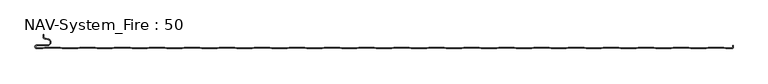
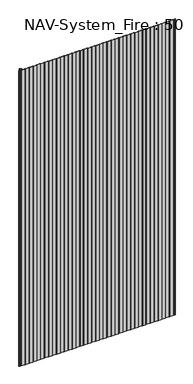
"""IFC4 building model written with IfcOpenShell, lengths in millimetres: plate geometry, NAV-System_Fire : 50."""

from ifc_helpers import new_model, si_unit, frame, origin, place, context, project, spatial, polyline, circle_curve, source, transform, mapped, element, save
from ifc_brep_helpers import plane_surface, cylinder_surface, revolved_surface, advanced_brep


def nav_system_fire_50_914764b8(model_context):
    return source(origin(), model_context, "Body", "AdvancedBrep", [
        advanced_brep(
        [(-488.8798221, -50.8, 2000.0), (-497.2500001, -50.8, 2000.0), (-497.2500001, -47.4000001, 2000.0), (-481.8502086, -47.4000001, 2000.0), (-480.9923864, -37.5950498, 2000.0), (-485.8625665, -36.7363054, 2000.0), (-487.3500004, -34.9636506, 2000.0), (-487.3500014, -31.6578709, 2000.0), (-488.1500014, -31.6578709, 2000.0), (-488.1500014, -34.9636516, 2000.0), (-486.0014853, -37.5241512, 2000.0), (-481.1313015, -38.382896, 2000.0), (-481.850205, -46.6000001, 2000.0), (-497.2500001, -46.6000001, 2000.0), (-497.2500001, -51.6, 2000.0), (-488.75, -51.6, 2000.0), (-485.75, -50.6, 2000.0), (-463.75, -50.6, 2000.0), (-460.75, -51.6, 2000.0), (-438.75, -51.6, 2000.0), (-435.75, -50.6, 2000.0), (-413.75, -50.6, 2000.0), (-410.75, -51.6, 2000.0), (-388.75, -51.6, 2000.0), (-385.75, -50.6, 2000.0), (-363.75, -50.6, 2000.0), (-360.75, -51.6, 2000.0), (-338.75, -51.6, 2000.0), (-335.75, -50.6, 2000.0), (-313.75, -50.6, 2000.0), (-310.75, -51.6, 2000.0), (-288.75, -51.6, 2000.0), (-285.75, -50.6, 2000.0), (-263.75, -50.6, 2000.0), (-260.75, -51.6, 2000.0), (-238.75, -51.6, 2000.0), (-235.75, -50.6, 2000.0), (-213.75, -50.6, 2000.0), (-210.75, -51.6, 2000.0), (-188.75, -51.6, 2000.0), (-185.75, -50.6, 2000.0), (-163.75, -50.6, 2000.0), (-160.75, -51.6, 2000.0), (-138.75, -51.6, 2000.0), (-135.75, -50.6, 2000.0), (-113.75, -50.6, 2000.0), (-110.75, -51.6, 2000.0), (-88.75, -51.6, 2000.0), (-85.75, -50.6, 2000.0), (-63.75, -50.6, 2000.0), (-60.75, -51.6, 2000.0), (-38.75, -51.6, 2000.0), (-35.75, -50.6, 2000.0), (-13.75, -50.6, 2000.0), (-10.75, -51.6, 2000.0), (11.25, -51.6, 2000.0), (14.25, -50.6, 2000.0), (36.25, -50.6, 2000.0), (39.25, -51.6, 2000.0), (61.25, -51.6, 2000.0), (64.25, -50.6, 2000.0), (86.25, -50.6, 2000.0), (89.25, -51.6, 2000.0), (111.25, -51.6, 2000.0), (114.25, -50.6, 2000.0), (136.25, -50.6, 2000.0), (139.25, -51.6, 2000.0), (161.25, -51.6, 2000.0), (164.25, -50.6, 2000.0), (186.25, -50.6, 2000.0), (189.25, -51.6, 2000.0), (211.25, -51.6, 2000.0), (214.25, -50.6, 2000.0), (236.25, -50.6, 2000.0), (239.25, -51.6, 2000.0), (261.25, -51.6, 2000.0), (264.25, -50.6, 2000.0), (286.25, -50.6, 2000.0), (289.25, -51.6, 2000.0), (311.25, -51.6, 2000.0), (314.25, -50.6, 2000.0), (336.25, -50.6, 2000.0), (339.25, -51.6, 2000.0), (361.25, -51.6, 2000.0), (364.25, -50.6, 2000.0), (386.25, -50.6, 2000.0), (389.25, -51.6, 2000.0), (411.25, -51.6, 2000.0), (414.25, -50.6, 2000.0), (436.25, -50.6, 2000.0), (439.25, -51.6, 2000.0), (461.25, -51.6, 2000.0), (464.25, -50.6, 2000.0), (486.25, -50.6, 2000.0), (489.25, -51.6, 2000.0), (498.2500007, -51.6, 2000.0), (499.75, -50.9228766, 2000.0), (499.75, -46.9390429, 2000.0), (499.4499998, -48.1999953, 2000.0), (499.4499998, -49.5978602, 2000.0), (498.2500017, -50.7999998, 2000.0), (489.3798221, -50.8, 2000.0), (486.3798221, -49.8, 2000.0), (464.1201779, -49.8, 2000.0), (461.1201779, -50.8, 2000.0), (439.3798221, -50.8, 2000.0), (436.3798221, -49.8, 2000.0), (414.1201779, -49.8, 2000.0), (411.1201779, -50.8, 2000.0), (389.3798221, -50.8, 2000.0), (386.3798221, -49.8, 2000.0), (364.1201779, -49.8, 2000.0), (361.1201779, -50.8, 2000.0), (339.3798221, -50.8, 2000.0), (336.3798221, -49.8, 2000.0), (314.1201779, -49.8, 2000.0), (311.1201779, -50.8, 2000.0), (289.3798221, -50.8, 2000.0), (286.3798221, -49.8, 2000.0), (264.1201779, -49.8, 2000.0), (261.1201779, -50.8, 2000.0), (239.3798221, -50.8, 2000.0), (236.3798221, -49.8, 2000.0), (214.1201779, -49.8, 2000.0), (211.1201779, -50.8, 2000.0), (189.3798221, -50.8, 2000.0), (186.3798221, -49.8, 2000.0), (164.1201779, -49.8, 2000.0), (161.1201779, -50.8, 2000.0), (139.3798221, -50.8, 2000.0), (136.3798221, -49.8, 2000.0), (114.1201779, -49.8, 2000.0), (111.1201779, -50.8, 2000.0), (89.3798221, -50.8, 2000.0), (86.3798221, -49.8, 2000.0), (64.1201779, -49.8, 2000.0), (61.1201779, -50.8, 2000.0), (39.3798221, -50.8, 2000.0), (36.3798221, -49.8, 2000.0), (14.1201779, -49.8, 2000.0), (11.1201779, -50.8, 2000.0), (-10.6201779, -50.8, 2000.0), (-13.6201779, -49.8, 2000.0), (-35.8798221, -49.8, 2000.0), (-38.8798221, -50.8, 2000.0), (-60.6201779, -50.8, 2000.0), (-63.6201779, -49.8, 2000.0), (-85.8798221, -49.8, 2000.0), (-88.8798221, -50.8, 2000.0), (-110.6201779, -50.8, 2000.0), (-113.6201779, -49.8, 2000.0), (-135.8798221, -49.8, 2000.0), (-138.8798221, -50.8, 2000.0), (-160.6201779, -50.8, 2000.0), (-163.6201779, -49.8, 2000.0), (-185.8798221, -49.8, 2000.0), (-188.8798221, -50.8, 2000.0), (-210.6201779, -50.8, 2000.0), (-213.6201779, -49.8, 2000.0), (-235.8798221, -49.8, 2000.0), (-238.8798221, -50.8, 2000.0), (-260.6201779, -50.8, 2000.0), (-263.6201779, -49.8, 2000.0), (-285.8798221, -49.8, 2000.0), (-288.8798221, -50.8, 2000.0), (-310.6201779, -50.8, 2000.0), (-313.6201779, -49.8, 2000.0), (-335.8798221, -49.8, 2000.0), (-338.8798221, -50.8, 2000.0), (-360.6201779, -50.8, 2000.0), (-363.6201779, -49.8, 2000.0), (-385.8798221, -49.8, 2000.0), (-388.8798221, -50.8, 2000.0), (-410.6201779, -50.8, 2000.0), (-413.6201779, -49.8, 2000.0), (-435.8798221, -49.8, 2000.0), (-438.8798221, -50.8, 2000.0), (-460.6201779, -50.8, 2000.0), (-463.6201779, -49.8, 2000.0), (-485.8798221, -49.8, 2000.0), (-488.8798221, -50.8, 0.0), (-485.8798221, -49.8, 0.0), (-463.6201779, -49.8, 0.0), (-460.6201779, -50.8, 0.0), (-438.8798221, -50.8, 0.0), (-435.8798221, -49.8, 0.0), (-413.6201779, -49.8, 0.0), (-410.6201779, -50.8, 0.0), (-388.8798221, -50.8, 0.0), (-385.8798221, -49.8, 0.0), (-363.6201779, -49.8, 0.0), (-360.6201779, -50.8, 0.0), (-338.8798221, -50.8, 0.0), (-335.8798221, -49.8, 0.0), (-313.6201779, -49.8, 0.0), (-310.6201779, -50.8, 0.0), (-288.8798221, -50.8, 0.0), (-285.8798221, -49.8, 0.0), (-263.6201779, -49.8, 0.0), (-260.6201779, -50.8, 0.0), (-238.8798221, -50.8, 0.0), (-235.8798221, -49.8, 0.0), (-213.6201779, -49.8, 0.0), (-210.6201779, -50.8, 0.0), (-188.8798221, -50.8, 0.0), (-185.8798221, -49.8, 0.0), (-163.6201779, -49.8, 0.0), (-160.6201779, -50.8, 0.0), (-138.8798221, -50.8, 0.0), (-135.8798221, -49.8, 0.0), (-113.6201779, -49.8, 0.0), (-110.6201779, -50.8, 0.0), (-88.8798221, -50.8, 0.0), (-85.8798221, -49.8, 0.0), (-63.6201779, -49.8, 0.0), (-60.6201779, -50.8, 0.0), (-38.8798221, -50.8, 0.0), (-35.8798221, -49.8, 0.0), (-13.6201779, -49.8, 0.0), (-10.6201779, -50.8, 0.0), (11.1201779, -50.8, 0.0), (14.1201779, -49.8, 0.0), (36.3798221, -49.8, 0.0), (39.3798221, -50.8, 0.0), (61.1201779, -50.8, 0.0), (64.1201779, -49.8, 0.0), (86.3798221, -49.8, 0.0), (89.3798221, -50.8, 0.0), (111.1201779, -50.8, 0.0), (114.1201779, -49.8, 0.0), (136.3798221, -49.8, 0.0), (139.3798221, -50.8, 0.0), (161.1201779, -50.8, 0.0), (164.1201779, -49.8, 0.0), (186.3798221, -49.8, 0.0), (189.3798221, -50.8, 0.0), (211.1201779, -50.8, 0.0), (214.1201779, -49.8, 0.0), (236.3798221, -49.8, 0.0), (239.3798221, -50.8, 0.0), (261.1201779, -50.8, 0.0), (264.1201779, -49.8, 0.0), (286.3798221, -49.8, 0.0), (289.3798221, -50.8, 0.0), (311.1201779, -50.8, 0.0), (314.1201779, -49.8, 0.0), (336.3798221, -49.8, 0.0), (339.3798221, -50.8, 0.0), (361.1201779, -50.8, 0.0), (364.1201779, -49.8, 0.0), (386.3798221, -49.8, 0.0), (389.3798221, -50.8, 0.0), (411.1201779, -50.8, 0.0), (414.1201779, -49.8, 0.0), (436.3798221, -49.8, 0.0), (439.3798221, -50.8, 0.0), (461.1201779, -50.8, 0.0), (464.1201779, -49.8, 0.0), (486.3798221, -49.8, 0.0), (489.3798221, -50.8, 0.0), (498.2500017, -50.8, 0.0), (499.4499998, -49.5978602, 0.0), (499.4499998, -48.1999953, 0.0), (499.75, -46.9390429, 0.0), (499.75, -50.9228766, 0.0), (498.2500007, -51.6, 0.0), (489.25, -51.6, 0.0), (486.25, -50.6, 0.0), (464.25, -50.6, 0.0), (461.25, -51.6, 0.0), (439.25, -51.6, 0.0), (436.25, -50.6, 0.0), (414.25, -50.6, 0.0), (411.25, -51.6, 0.0), (389.25, -51.6, 0.0), (386.25, -50.6, 0.0), (364.25, -50.6, 0.0), (361.25, -51.6, 0.0), (339.25, -51.6, 0.0), (336.25, -50.6, 0.0), (314.25, -50.6, 0.0), (311.25, -51.6, 0.0), (289.25, -51.6, 0.0), (286.25, -50.6, 0.0), (264.25, -50.6, 0.0), (261.25, -51.6, 0.0), (239.25, -51.6, 0.0), (236.25, -50.6, 0.0), (214.25, -50.6, 0.0), (211.25, -51.6, 0.0), (189.25, -51.6, 0.0), (186.25, -50.6, 0.0), (164.25, -50.6, 0.0), (161.25, -51.6, 0.0), (139.25, -51.6, 0.0), (136.25, -50.6, 0.0), (114.25, -50.6, 0.0), (111.25, -51.6, 0.0), (89.25, -51.6, 0.0), (86.25, -50.6, 0.0), (64.25, -50.6, 0.0), (61.25, -51.6, 0.0), (39.25, -51.6, 0.0), (36.25, -50.6, 0.0), (14.25, -50.6, 0.0), (11.25, -51.6, 0.0), (-10.75, -51.6, 0.0), (-13.75, -50.6, 0.0), (-35.75, -50.6, 0.0), (-38.75, -51.6, 0.0), (-60.75, -51.6, 0.0), (-63.75, -50.6, 0.0), (-85.75, -50.6, 0.0), (-88.75, -51.6, 0.0), (-110.75, -51.6, 0.0), (-113.75, -50.6, 0.0), (-135.75, -50.6, 0.0), (-138.75, -51.6, 0.0), (-160.75, -51.6, 0.0), (-163.75, -50.6, 0.0), (-185.75, -50.6, 0.0), (-188.75, -51.6, 0.0), (-210.75, -51.6, 0.0), (-213.75, -50.6, 0.0), (-235.75, -50.6, 0.0), (-238.75, -51.6, 0.0), (-260.75, -51.6, 0.0), (-263.75, -50.6, 0.0), (-285.75, -50.6, 0.0), (-288.75, -51.6, 0.0), (-310.75, -51.6, 0.0), (-313.75, -50.6, 0.0), (-335.75, -50.6, 0.0), (-338.75, -51.6, 0.0), (-360.75, -51.6, 0.0), (-363.75, -50.6, 0.0), (-385.75, -50.6, 0.0), (-388.75, -51.6, 0.0), (-410.75, -51.6, 0.0), (-413.75, -50.6, 0.0), (-435.75, -50.6, 0.0), (-438.75, -51.6, 0.0), (-460.75, -51.6, 0.0), (-463.75, -50.6, 0.0), (-485.75, -50.6, 0.0), (-488.75, -51.6, 0.0), (-497.2500001, -51.6, 0.0), (-497.2500001, -46.6000001, 0.0), (-481.850205, -46.6000001, 0.0), (-481.1313015, -38.382896, 0.0), (-486.0014853, -37.5241512, 0.0), (-488.1499997, -34.9636516, 0.0), (-488.1500014, -31.6578709, 0.0), (-487.3500014, -31.6578709, 0.0), (-487.3500014, -34.9636506, 0.0), (-485.8625665, -36.7363054, 0.0), (-480.9923864, -37.5950498, 0.0), (-481.8502086, -47.4000001, 0.0), (-497.2500001, -47.4000001, 0.0), (-497.2500001, -50.7999998, 0.0)],
        [
            (0, 1),
            (1, 2, circle_curve(frame((-497.2500001, -49.1, 2000.0), z_axis=(0.0, 0.0, -1.0), x_axis=(1.0, 0.0, 0.0)), 1.6999999)),
            (2, 3),
            (3, 4, circle_curve(frame((-481.8502086, -42.4600001, 2000.0), z_axis=(0.0, 0.0, 1.0), x_axis=(1.0, 0.0, 0.0)), 4.94)),
            (4, 5),
            (5, 6, circle_curve(frame((-485.5499995, -34.9636506, 2000.0), z_axis=(0.0, 0.0, -1.0), x_axis=(1.0, 0.0, 0.0)), 1.8000009)),
            (6, 7),
            (7, 8),
            (8, 9),
            (9, 10, circle_curve(frame((-485.5500002, -34.9636516, 2000.0), z_axis=(0.0, 0.0, 1.0), x_axis=(1.0, 0.0, 0.0)), 2.5999995)),
            (10, 11),
            (11, 12, circle_curve(frame((-481.850205, -42.4600001, 2000.0), z_axis=(0.0, 0.0, -1.0), x_axis=(1.0, 0.0, 0.0)), 4.14)),
            (12, 13),
            (13, 14, circle_curve(frame((-497.2500001, -49.1000001, 2000.0), z_axis=(0.0, 0.0, 1.0), x_axis=(1.0, 0.0, 0.0)), 2.4999999)),
            (14, 15),
            (15, 16),
            (16, 17),
            (17, 18),
            (18, 19),
            (19, 20),
            (20, 21),
            (21, 22),
            (22, 23),
            (23, 24),
            (24, 25),
            (25, 26),
            (26, 27),
            (27, 28),
            (28, 29),
            (29, 30),
            (30, 31),
            (31, 32),
            (32, 33),
            (33, 34),
            (34, 35),
            (35, 36),
            (36, 37),
            (37, 38),
            (38, 39),
            (39, 40),
            (40, 41),
            (41, 42),
            (42, 43),
            (43, 44),
            (44, 45),
            (45, 46),
            (46, 47),
            (47, 48),
            (48, 49),
            (49, 50),
            (50, 51),
            (51, 52),
            (52, 53),
            (53, 54),
            (54, 55),
            (55, 56),
            (56, 57),
            (57, 58),
            (58, 59),
            (59, 60),
            (60, 61),
            (61, 62),
            (62, 63),
            (63, 64),
            (64, 65),
            (65, 66),
            (66, 67),
            (67, 68),
            (68, 69),
            (69, 70),
            (70, 71),
            (71, 72),
            (72, 73),
            (73, 74),
            (74, 75),
            (75, 76),
            (76, 77),
            (77, 78),
            (78, 79),
            (79, 80),
            (80, 81),
            (81, 82),
            (82, 83),
            (83, 84),
            (84, 85),
            (85, 86),
            (86, 87),
            (87, 88),
            (88, 89),
            (89, 90),
            (90, 91),
            (91, 92),
            (92, 93),
            (93, 94),
            (94, 95),
            (95, 96, circle_curve(frame((498.2500007, -49.5999998, 2000.0), z_axis=(0.0, 0.0, 1.0), x_axis=(1.0, 0.0, 0.0)), 2.0000002)),
            (96, 97),
            (97, 98, circle_curve(frame((502.2499995, -48.1999953, 2000.0), z_axis=(0.0, 0.0, 1.0), x_axis=(1.0, 0.0, 0.0)), 2.7999997)),
            (98, 99),
            (99, 100, circle_curve(frame((498.2500017, -49.5999998, 2000.0), z_axis=(0.0, 0.0, -1.0), x_axis=(1.0, 0.0, 0.0)), 1.2)),
            (100, 101),
            (101, 102),
            (102, 103),
            (103, 104),
            (104, 105),
            (105, 106),
            (106, 107),
            (107, 108),
            (108, 109),
            (109, 110),
            (110, 111),
            (111, 112),
            (112, 113),
            (113, 114),
            (114, 115),
            (115, 116),
            (116, 117),
            (117, 118),
            (118, 119),
            (119, 120),
            (120, 121),
            (121, 122),
            (122, 123),
            (123, 124),
            (124, 125),
            (125, 126),
            (126, 127),
            (127, 128),
            (128, 129),
            (129, 130),
            (130, 131),
            (131, 132),
            (132, 133),
            (133, 134),
            (134, 135),
            (135, 136),
            (136, 137),
            (137, 138),
            (138, 139),
            (139, 140),
            (140, 141),
            (141, 142),
            (142, 143),
            (143, 144),
            (144, 145),
            (145, 146),
            (146, 147),
            (147, 148),
            (148, 149),
            (149, 150),
            (150, 151),
            (151, 152),
            (152, 153),
            (153, 154),
            (154, 155),
            (155, 156),
            (156, 157),
            (157, 158),
            (158, 159),
            (159, 160),
            (160, 161),
            (161, 162),
            (162, 163),
            (163, 164),
            (164, 165),
            (165, 166),
            (166, 167),
            (167, 168),
            (168, 169),
            (169, 170),
            (170, 171),
            (171, 172),
            (172, 173),
            (173, 174),
            (174, 175),
            (175, 176),
            (176, 177),
            (177, 178),
            (178, 179),
            (179, 0),
            (180, 181),
            (181, 182),
            (182, 183),
            (183, 184),
            (184, 185),
            (185, 186),
            (186, 187),
            (187, 188),
            (188, 189),
            (189, 190),
            (190, 191),
            (191, 192),
            (192, 193),
            (193, 194),
            (194, 195),
            (195, 196),
            (196, 197),
            (197, 198),
            (198, 199),
            (199, 200),
            (200, 201),
            (201, 202),
            (202, 203),
            (203, 204),
            (204, 205),
            (205, 206),
            (206, 207),
            (207, 208),
            (208, 209),
            (209, 210),
            (210, 211),
            (211, 212),
            (212, 213),
            (213, 214),
            (214, 215),
            (215, 216),
            (216, 217),
            (217, 218),
            (218, 219),
            (219, 220),
            (220, 221),
            (221, 222),
            (222, 223),
            (223, 224),
            (224, 225),
            (225, 226),
            (226, 227),
            (227, 228),
            (228, 229),
            (229, 230),
            (230, 231),
            (231, 232),
            (232, 233),
            (233, 234),
            (234, 235),
            (235, 236),
            (236, 237),
            (237, 238),
            (238, 239),
            (239, 240),
            (240, 241),
            (241, 242),
            (242, 243),
            (243, 244),
            (244, 245),
            (245, 246),
            (246, 247),
            (247, 248),
            (248, 249),
            (249, 250),
            (250, 251),
            (251, 252),
            (252, 253),
            (253, 254),
            (254, 255),
            (255, 256),
            (256, 257),
            (257, 258),
            (258, 259),
            (259, 260),
            (260, 261, circle_curve(frame((498.2500017, -49.5999998, 0.0), z_axis=(0.0, 0.0, 1.0), x_axis=(1.0, 0.0, 0.0)), 1.2)),
            (261, 262),
            (262, 263, circle_curve(frame((502.2499995, -48.1999953, 0.0), z_axis=(0.0, 0.0, -1.0), x_axis=(1.0, 0.0, 0.0)), 2.7999997)),
            (263, 264),
            (264, 265, circle_curve(frame((498.2500007, -49.5999998, 0.0), z_axis=(0.0, 0.0, -1.0), x_axis=(1.0, 0.0, 0.0)), 2.0000002)),
            (265, 266),
            (266, 267),
            (267, 268),
            (268, 269),
            (269, 270),
            (270, 271),
            (271, 272),
            (272, 273),
            (273, 274),
            (274, 275),
            (275, 276),
            (276, 277),
            (277, 278),
            (278, 279),
            (279, 280),
            (280, 281),
            (281, 282),
            (282, 283),
            (283, 284),
            (284, 285),
            (285, 286),
            (286, 287),
            (287, 288),
            (288, 289),
            (289, 290),
            (290, 291),
            (291, 292),
            (292, 293),
            (293, 294),
            (294, 295),
            (295, 296),
            (296, 297),
            (297, 298),
            (298, 299),
            (299, 300),
            (300, 301),
            (301, 302),
            (302, 303),
            (303, 304),
            (304, 305),
            (305, 306),
            (306, 307),
            (307, 308),
            (308, 309),
            (309, 310),
            (310, 311),
            (311, 312),
            (312, 313),
            (313, 314),
            (314, 315),
            (315, 316),
            (316, 317),
            (317, 318),
            (318, 319),
            (319, 320),
            (320, 321),
            (321, 322),
            (322, 323),
            (323, 324),
            (324, 325),
            (325, 326),
            (326, 327),
            (327, 328),
            (328, 329),
            (329, 330),
            (330, 331),
            (331, 332),
            (332, 333),
            (333, 334),
            (334, 335),
            (335, 336),
            (336, 337),
            (337, 338),
            (338, 339),
            (339, 340),
            (340, 341),
            (341, 342),
            (342, 343),
            (343, 344),
            (344, 345),
            (345, 346),
            (346, 347, circle_curve(frame((-497.2500001, -49.1000001, 0.0), z_axis=(0.0, 0.0, -1.0), x_axis=(1.0, 0.0, 0.0)), 2.4999999)),
            (347, 348),
            (348, 349, circle_curve(frame((-481.850205, -42.4600001, 0.0), z_axis=(0.0, 0.0, 1.0), x_axis=(1.0, 0.0, 0.0)), 4.14)),
            (349, 350),
            (350, 351, circle_curve(frame((-485.5500002, -34.9636516, 0.0), z_axis=(0.0, 0.0, -1.0), x_axis=(1.0, 0.0, 0.0)), 2.5999995)),
            (351, 352),
            (352, 353),
            (353, 354),
            (354, 355, circle_curve(frame((-485.5499995, -34.9636506, 0.0), z_axis=(0.0, 0.0, 1.0), x_axis=(1.0, 0.0, 0.0)), 1.8000009)),
            (355, 356),
            (356, 357, circle_curve(frame((-481.8502086, -42.4600001, 0.0), z_axis=(0.0, 0.0, -1.0), x_axis=(1.0, 0.0, 0.0)), 4.94)),
            (357, 358),
            (358, 359, circle_curve(frame((-497.2500001, -49.1, 0.0), z_axis=(0.0, 0.0, 1.0), x_axis=(1.0, 0.0, 0.0)), 1.6999999)),
            (359, 180),
            (14, 346),
            (345, 15),
            (0, 180),
            (359, 1),
            (100, 260),
            (259, 101),
            (258, 102),
            (257, 103),
            (256, 104),
            (255, 105),
            (254, 106),
            (253, 107),
            (252, 108),
            (251, 109),
            (250, 110),
            (249, 111),
            (248, 112),
            (247, 113),
            (246, 114),
            (245, 115),
            (244, 116),
            (243, 117),
            (242, 118),
            (241, 119),
            (240, 120),
            (239, 121),
            (238, 122),
            (237, 123),
            (236, 124),
            (235, 125),
            (234, 126),
            (233, 127),
            (232, 128),
            (231, 129),
            (230, 130),
            (229, 131),
            (228, 132),
            (227, 133),
            (226, 134),
            (225, 135),
            (224, 136),
            (223, 137),
            (222, 138),
            (221, 139),
            (220, 140),
            (219, 141),
            (218, 142),
            (217, 143),
            (216, 144),
            (215, 145),
            (214, 146),
            (213, 147),
            (212, 148),
            (211, 149),
            (210, 150),
            (209, 151),
            (208, 152),
            (207, 153),
            (206, 154),
            (205, 155),
            (204, 156),
            (203, 157),
            (202, 158),
            (201, 159),
            (200, 160),
            (199, 161),
            (198, 162),
            (197, 163),
            (196, 164),
            (195, 165),
            (194, 166),
            (193, 167),
            (192, 168),
            (191, 169),
            (190, 170),
            (189, 171),
            (188, 172),
            (187, 173),
            (186, 174),
            (185, 175),
            (184, 176),
            (183, 177),
            (182, 178),
            (181, 179),
            (344, 16),
            (343, 17),
            (342, 18),
            (341, 19),
            (340, 20),
            (339, 21),
            (338, 22),
            (337, 23),
            (336, 24),
            (335, 25),
            (334, 26),
            (333, 27),
            (332, 28),
            (331, 29),
            (330, 30),
            (329, 31),
            (328, 32),
            (327, 33),
            (326, 34),
            (325, 35),
            (324, 36),
            (323, 37),
            (322, 38),
            (321, 39),
            (320, 40),
            (319, 41),
            (318, 42),
            (317, 43),
            (316, 44),
            (315, 45),
            (314, 46),
            (313, 47),
            (312, 48),
            (311, 49),
            (310, 50),
            (309, 51),
            (308, 52),
            (307, 53),
            (306, 54),
            (305, 55),
            (304, 56),
            (303, 57),
            (302, 58),
            (301, 59),
            (300, 60),
            (299, 61),
            (298, 62),
            (297, 63),
            (296, 64),
            (295, 65),
            (294, 66),
            (293, 67),
            (292, 68),
            (291, 69),
            (290, 70),
            (289, 71),
            (288, 72),
            (287, 73),
            (286, 74),
            (285, 75),
            (284, 76),
            (283, 77),
            (282, 78),
            (281, 79),
            (280, 80),
            (279, 81),
            (278, 82),
            (277, 83),
            (276, 84),
            (275, 85),
            (274, 86),
            (273, 87),
            (272, 88),
            (271, 89),
            (270, 90),
            (269, 91),
            (268, 92),
            (267, 93),
            (266, 94),
            (265, 95),
            (2, 358),
            (357, 3),
            (6, 354),
            (353, 7),
            (352, 8),
            (351, 9),
            (12, 348),
            (347, 13),
            (356, 4),
            (355, 5),
            (350, 10),
            (349, 11),
            (264, 96),
            (262, 98),
            (97, 263),
            (261, 99),
        ],
        [
            plane_surface(frame((-499.75, -51.6, 2000.0), z_axis=(0.0, 0.0, 1.0), x_axis=(-1.0, 0.0, 0.0))),
            plane_surface(frame((-499.75, -51.6, 0.0), z_axis=(0.0, 0.0, -1.0), x_axis=(-1.0, 0.0, 0.0))),
            plane_surface(frame((-497.2500001, -51.6, 2000.0), z_axis=(0.0, -1.0, 0.0), x_axis=(0.0, 0.0, -1.0))),
            plane_surface(frame((-488.8798221, -50.8, 2000.0), z_axis=(0.0, 1.0, 0.0), x_axis=(0.0, 0.0, -1.0))),
            plane_surface(frame((498.2500017, -50.8, 2000.0), z_axis=(0.0, 1.0, 0.0), x_axis=(0.0, 0.0, -1.0))),
            plane_surface(frame((489.3798221, -50.8, 2000.0), z_axis=(0.31622776601669583, 0.9486832980505612, 0.0), x_axis=(0.0, 0.0, -1.0))),
            plane_surface(frame((486.3798221, -49.8, 2000.0), z_axis=(0.0, 1.0, 0.0), x_axis=(0.0, 0.0, -1.0))),
            plane_surface(frame((464.1201779, -49.8, 2000.0), z_axis=(-0.31622776601680463, 0.948683298050525, 0.0), x_axis=(0.0, 0.0, -1.0))),
            plane_surface(frame((461.1201779, -50.8, 2000.0), z_axis=(0.0, 1.0, 0.0), x_axis=(0.0, 0.0, -1.0))),
            plane_surface(frame((439.3798221, -50.8, 2000.0), z_axis=(0.3162277660167412, 0.9486832980505461, 0.0), x_axis=(0.0, 0.0, -1.0))),
            plane_surface(frame((436.3798221, -49.8, 2000.0), z_axis=(0.0, 1.0, 0.0), x_axis=(0.0, 0.0, -1.0))),
            plane_surface(frame((414.1201779, -49.8, 2000.0), z_axis=(-0.3162277660167537, 0.948683298050542, 0.0), x_axis=(0.0, 0.0, -1.0))),
            plane_surface(frame((411.1201779, -50.8, 2000.0), z_axis=(0.0, 1.0, 0.0), x_axis=(0.0, 0.0, -1.0))),
            plane_surface(frame((389.3798221, -50.8, 2000.0), z_axis=(0.31622776601679214, 0.9486832980505291, 0.0), x_axis=(0.0, 0.0, -1.0))),
            plane_surface(frame((386.3798221, -49.8, 2000.0), z_axis=(0.0, 1.0, 0.0), x_axis=(0.0, 0.0, -1.0))),
            plane_surface(frame((364.1201779, -49.8, 2000.0), z_axis=(-0.31622776601680463, 0.948683298050525, 0.0), x_axis=(0.0, 0.0, -1.0))),
            plane_surface(frame((361.1201779, -50.8, 2000.0), z_axis=(0.0, 1.0, 0.0), x_axis=(0.0, 0.0, -1.0))),
            plane_surface(frame((339.3798221, -50.8, 2000.0), z_axis=(0.3162277660167412, 0.9486832980505461, 0.0), x_axis=(0.0, 0.0, -1.0))),
            plane_surface(frame((336.3798221, -49.8, 2000.0), z_axis=(0.0, 1.0, 0.0), x_axis=(0.0, 0.0, -1.0))),
            plane_surface(frame((314.1201779, -49.8, 2000.0), z_axis=(-0.3162277660167537, 0.948683298050542, 0.0), x_axis=(0.0, 0.0, -1.0))),
            plane_surface(frame((311.1201779, -50.8, 2000.0), z_axis=(0.0, 1.0, 0.0), x_axis=(0.0, 0.0, -1.0))),
            plane_surface(frame((289.3798221, -50.8, 2000.0), z_axis=(0.31622776601679214, 0.9486832980505291, 0.0), x_axis=(0.0, 0.0, -1.0))),
            plane_surface(frame((286.3798221, -49.8, 2000.0), z_axis=(0.0, 1.0, 0.0), x_axis=(0.0, 0.0, -1.0))),
            plane_surface(frame((264.1201779, -49.8, 2000.0), z_axis=(-0.31622776601680463, 0.948683298050525, 0.0), x_axis=(0.0, 0.0, -1.0))),
            plane_surface(frame((261.1201779, -50.8, 2000.0), z_axis=(0.0, 1.0, 0.0), x_axis=(0.0, 0.0, -1.0))),
            plane_surface(frame((239.3798221, -50.8, 2000.0), z_axis=(0.3162277660167412, 0.9486832980505461, 0.0), x_axis=(0.0, 0.0, -1.0))),
            plane_surface(frame((236.3798221, -49.8, 2000.0), z_axis=(0.0, 1.0, 0.0), x_axis=(0.0, 0.0, -1.0))),
            plane_surface(frame((214.1201779, -49.8, 2000.0), z_axis=(-0.3162277660167537, 0.948683298050542, 0.0), x_axis=(0.0, 0.0, -1.0))),
            plane_surface(frame((211.1201779, -50.8, 2000.0), z_axis=(0.0, 1.0, 0.0), x_axis=(0.0, 0.0, -1.0))),
            plane_surface(frame((189.3798221, -50.8, 2000.0), z_axis=(0.31622776601679214, 0.9486832980505291, 0.0), x_axis=(0.0, 0.0, -1.0))),
            plane_surface(frame((186.3798221, -49.8, 2000.0), z_axis=(0.0, 1.0, 0.0), x_axis=(0.0, 0.0, -1.0))),
            plane_surface(frame((164.1201779, -49.8, 2000.0), z_axis=(-0.31622776601680463, 0.948683298050525, 0.0), x_axis=(0.0, 0.0, -1.0))),
            plane_surface(frame((161.1201779, -50.8, 2000.0), z_axis=(0.0, 1.0, 0.0), x_axis=(0.0, 0.0, -1.0))),
            plane_surface(frame((139.3798221, -50.8, 2000.0), z_axis=(0.3162277660167412, 0.9486832980505461, 0.0), x_axis=(0.0, 0.0, -1.0))),
            plane_surface(frame((136.3798221, -49.8, 2000.0), z_axis=(0.0, 1.0, 0.0), x_axis=(0.0, 0.0, -1.0))),
            plane_surface(frame((114.1201779, -49.8, 2000.0), z_axis=(-0.3162277660167537, 0.948683298050542, 0.0), x_axis=(0.0, 0.0, -1.0))),
            plane_surface(frame((111.1201779, -50.8, 2000.0), z_axis=(0.0, 1.0, 0.0), x_axis=(0.0, 0.0, -1.0))),
            plane_surface(frame((89.3798221, -50.8, 2000.0), z_axis=(0.3162277660167412, 0.9486832980505461, 0.0), x_axis=(0.0, 0.0, -1.0))),
            plane_surface(frame((86.3798221, -49.8, 2000.0), z_axis=(0.0, 1.0, 0.0), x_axis=(0.0, 0.0, -1.0))),
            plane_surface(frame((64.1201779, -49.8, 2000.0), z_axis=(-0.3162277660167537, 0.948683298050542, 0.0), x_axis=(0.0, 0.0, -1.0))),
            plane_surface(frame((61.1201779, -50.8, 2000.0), z_axis=(0.0, 1.0, 0.0), x_axis=(0.0, 0.0, -1.0))),
            plane_surface(frame((39.3798221, -50.8, 2000.0), z_axis=(0.31622776601679214, 0.9486832980505291, 0.0), x_axis=(0.0, 0.0, -1.0))),
            plane_surface(frame((36.3798221, -49.8, 2000.0), z_axis=(0.0, 1.0, 0.0), x_axis=(0.0, 0.0, -1.0))),
            plane_surface(frame((14.1201779, -49.8, 2000.0), z_axis=(-0.31622776601680463, 0.948683298050525, 0.0), x_axis=(0.0, 0.0, -1.0))),
            plane_surface(frame((11.1201779, -50.8, 2000.0), z_axis=(0.0, 1.0, 0.0), x_axis=(0.0, 0.0, -1.0))),
            plane_surface(frame((-10.6201779, -50.8, 2000.0), z_axis=(0.3162277660167412, 0.9486832980505461, 0.0), x_axis=(0.0, 0.0, -1.0))),
            plane_surface(frame((-13.6201779, -49.8, 2000.0), z_axis=(0.0, 1.0, 0.0), x_axis=(0.0, 0.0, -1.0))),
            plane_surface(frame((-35.8798221, -49.8, 2000.0), z_axis=(-0.3162277660167537, 0.948683298050542, 0.0), x_axis=(0.0, 0.0, -1.0))),
            plane_surface(frame((-38.8798221, -50.8, 2000.0), z_axis=(0.0, 1.0, 0.0), x_axis=(0.0, 0.0, -1.0))),
            plane_surface(frame((-60.6201779, -50.8, 2000.0), z_axis=(0.31622776601679214, 0.9486832980505291, 0.0), x_axis=(0.0, 0.0, -1.0))),
            plane_surface(frame((-63.6201779, -49.8, 2000.0), z_axis=(0.0, 1.0, 0.0), x_axis=(0.0, 0.0, -1.0))),
            plane_surface(frame((-85.8798221, -49.8, 2000.0), z_axis=(-0.31622776601680463, 0.948683298050525, 0.0), x_axis=(0.0, 0.0, -1.0))),
            plane_surface(frame((-88.8798221, -50.8, 2000.0), z_axis=(0.0, 1.0, 0.0), x_axis=(0.0, 0.0, -1.0))),
            plane_surface(frame((-110.6201779, -50.8, 2000.0), z_axis=(0.3162277660167412, 0.9486832980505461, 0.0), x_axis=(0.0, 0.0, -1.0))),
            plane_surface(frame((-113.6201779, -49.8, 2000.0), z_axis=(0.0, 1.0, 0.0), x_axis=(0.0, 0.0, -1.0))),
            plane_surface(frame((-135.8798221, -49.8, 2000.0), z_axis=(-0.3162277660167537, 0.948683298050542, 0.0), x_axis=(0.0, 0.0, -1.0))),
            plane_surface(frame((-138.8798221, -50.8, 2000.0), z_axis=(0.0, 1.0, 0.0), x_axis=(0.0, 0.0, -1.0))),
            plane_surface(frame((-160.6201779, -50.8, 2000.0), z_axis=(0.31622776601679214, 0.9486832980505291, 0.0), x_axis=(0.0, 0.0, -1.0))),
            plane_surface(frame((-163.6201779, -49.8, 2000.0), z_axis=(0.0, 1.0, 0.0), x_axis=(0.0, 0.0, -1.0))),
            plane_surface(frame((-185.8798221, -49.8, 2000.0), z_axis=(-0.3162277660168057, 0.9486832980505246, 0.0), x_axis=(0.0, 0.0, -1.0))),
            plane_surface(frame((-188.8798221, -50.8, 2000.0), z_axis=(0.0, 1.0, 0.0), x_axis=(0.0, 0.0, -1.0))),
            plane_surface(frame((-210.6201779, -50.8, 2000.0), z_axis=(0.3162277660167412, 0.9486832980505461, 0.0), x_axis=(0.0, 0.0, -1.0))),
            plane_surface(frame((-213.6201779, -49.8, 2000.0), z_axis=(0.0, 1.0, 0.0), x_axis=(0.0, 0.0, -1.0))),
            plane_surface(frame((-235.8798221, -49.8, 2000.0), z_axis=(-0.3162277660167537, 0.948683298050542, 0.0), x_axis=(0.0, 0.0, -1.0))),
            plane_surface(frame((-238.8798221, -50.8, 2000.0), z_axis=(0.0, 1.0, 0.0), x_axis=(0.0, 0.0, -1.0))),
            plane_surface(frame((-260.6201779, -50.8, 2000.0), z_axis=(0.31622776601679214, 0.9486832980505291, 0.0), x_axis=(0.0, 0.0, -1.0))),
            plane_surface(frame((-263.6201779, -49.8, 2000.0), z_axis=(0.0, 1.0, 0.0), x_axis=(0.0, 0.0, -1.0))),
            plane_surface(frame((-285.8798221, -49.8, 2000.0), z_axis=(-0.31622776601680463, 0.948683298050525, 0.0), x_axis=(0.0, 0.0, -1.0))),
            plane_surface(frame((-288.8798221, -50.8, 2000.0), z_axis=(0.0, 1.0, 0.0), x_axis=(0.0, 0.0, -1.0))),
            plane_surface(frame((-310.6201779, -50.8, 2000.0), z_axis=(0.3162277660167412, 0.9486832980505461, 0.0), x_axis=(0.0, 0.0, -1.0))),
            plane_surface(frame((-313.6201779, -49.8, 2000.0), z_axis=(0.0, 1.0, 0.0), x_axis=(0.0, 0.0, -1.0))),
            plane_surface(frame((-335.8798221, -49.8, 2000.0), z_axis=(-0.3162277660167537, 0.948683298050542, 0.0), x_axis=(0.0, 0.0, -1.0))),
            plane_surface(frame((-338.8798221, -50.8, 2000.0), z_axis=(0.0, 1.0, 0.0), x_axis=(0.0, 0.0, -1.0))),
            plane_surface(frame((-360.6201779, -50.8, 2000.0), z_axis=(0.31622776601679214, 0.9486832980505291, 0.0), x_axis=(0.0, 0.0, -1.0))),
            plane_surface(frame((-363.6201779, -49.8, 2000.0), z_axis=(0.0, 1.0, 0.0), x_axis=(0.0, 0.0, -1.0))),
            plane_surface(frame((-385.8798221, -49.8, 2000.0), z_axis=(-0.31622776601680463, 0.948683298050525, 0.0), x_axis=(0.0, 0.0, -1.0))),
            plane_surface(frame((-388.8798221, -50.8, 2000.0), z_axis=(0.0, 1.0, 0.0), x_axis=(0.0, 0.0, -1.0))),
            plane_surface(frame((-410.6201779, -50.8, 2000.0), z_axis=(0.31622776601679214, 0.9486832980505291, 0.0), x_axis=(0.0, 0.0, -1.0))),
            plane_surface(frame((-413.6201779, -49.8, 2000.0), z_axis=(0.0, 1.0, 0.0), x_axis=(0.0, 0.0, -1.0))),
            plane_surface(frame((-435.8798221, -49.8, 2000.0), z_axis=(-0.31622776601680463, 0.948683298050525, 0.0), x_axis=(0.0, 0.0, -1.0))),
            plane_surface(frame((-438.8798221, -50.8, 2000.0), z_axis=(0.0, 1.0, 0.0), x_axis=(0.0, 0.0, -1.0))),
            plane_surface(frame((-460.6201779, -50.8, 2000.0), z_axis=(0.3162277660167412, 0.9486832980505461, 0.0), x_axis=(0.0, 0.0, -1.0))),
            plane_surface(frame((-463.6201779, -49.8, 2000.0), z_axis=(0.0, 1.0, 0.0), x_axis=(0.0, 0.0, -1.0))),
            plane_surface(frame((-485.8798221, -49.8, 2000.0), z_axis=(-0.3162277660167414, 0.9486832980505461, 0.0), x_axis=(0.0, 0.0, -1.0))),
            plane_surface(frame((-488.75, -51.6, 2000.0), z_axis=(0.31622776601671876, -0.9486832980505536, 0.0), x_axis=(0.0, 0.0, -1.0))),
            plane_surface(frame((-485.75, -50.6, 2000.0), z_axis=(0.0, -1.0, 0.0), x_axis=(0.0, 0.0, -1.0))),
            plane_surface(frame((-463.75, -50.6, 2000.0), z_axis=(-0.31622776601671854, -0.9486832980505536, 0.0), x_axis=(0.0, 0.0, -1.0))),
            plane_surface(frame((-460.75, -51.6, 2000.0), z_axis=(0.0, -1.0, 0.0), x_axis=(0.0, 0.0, -1.0))),
            plane_surface(frame((-438.75, -51.6, 2000.0), z_axis=(0.31622776601678765, -0.9486832980505306, 0.0), x_axis=(0.0, 0.0, -1.0))),
            plane_surface(frame((-435.75, -50.6, 2000.0), z_axis=(0.0, -1.0, 0.0), x_axis=(0.0, 0.0, -1.0))),
            plane_surface(frame((-413.75, -50.6, 2000.0), z_axis=(-0.3162277660167751, -0.9486832980505348, 0.0), x_axis=(0.0, 0.0, -1.0))),
            plane_surface(frame((-410.75, -51.6, 2000.0), z_axis=(0.0, -1.0, 0.0), x_axis=(0.0, 0.0, -1.0))),
            plane_surface(frame((-388.75, -51.6, 2000.0), z_axis=(0.31622776601678765, -0.9486832980505306, 0.0), x_axis=(0.0, 0.0, -1.0))),
            plane_surface(frame((-385.75, -50.6, 2000.0), z_axis=(0.0, -1.0, 0.0), x_axis=(0.0, 0.0, -1.0))),
            plane_surface(frame((-363.75, -50.6, 2000.0), z_axis=(-0.3162277660167751, -0.9486832980505348, 0.0), x_axis=(0.0, 0.0, -1.0))),
            plane_surface(frame((-360.75, -51.6, 2000.0), z_axis=(0.0, -1.0, 0.0), x_axis=(0.0, 0.0, -1.0))),
            plane_surface(frame((-338.75, -51.6, 2000.0), z_axis=(0.316227766016731, -0.9486832980505495, 0.0), x_axis=(0.0, 0.0, -1.0))),
            plane_surface(frame((-335.75, -50.6, 2000.0), z_axis=(0.0, -1.0, 0.0), x_axis=(0.0, 0.0, -1.0))),
            plane_surface(frame((-313.75, -50.6, 2000.0), z_axis=(-0.31622776601671854, -0.9486832980505536, 0.0), x_axis=(0.0, 0.0, -1.0))),
            plane_surface(frame((-310.75, -51.6, 2000.0), z_axis=(0.0, -1.0, 0.0), x_axis=(0.0, 0.0, -1.0))),
            plane_surface(frame((-288.75, -51.6, 2000.0), z_axis=(0.31622776601678765, -0.9486832980505306, 0.0), x_axis=(0.0, 0.0, -1.0))),
            plane_surface(frame((-285.75, -50.6, 2000.0), z_axis=(0.0, -1.0, 0.0), x_axis=(0.0, 0.0, -1.0))),
            plane_surface(frame((-263.75, -50.6, 2000.0), z_axis=(-0.3162277660167751, -0.9486832980505348, 0.0), x_axis=(0.0, 0.0, -1.0))),
            plane_surface(frame((-260.75, -51.6, 2000.0), z_axis=(0.0, -1.0, 0.0), x_axis=(0.0, 0.0, -1.0))),
            plane_surface(frame((-238.75, -51.6, 2000.0), z_axis=(0.316227766016731, -0.9486832980505495, 0.0), x_axis=(0.0, 0.0, -1.0))),
            plane_surface(frame((-235.75, -50.6, 2000.0), z_axis=(0.0, -1.0, 0.0), x_axis=(0.0, 0.0, -1.0))),
            plane_surface(frame((-213.75, -50.6, 2000.0), z_axis=(-0.31622776601671854, -0.9486832980505536, 0.0), x_axis=(0.0, 0.0, -1.0))),
            plane_surface(frame((-210.75, -51.6, 2000.0), z_axis=(0.0, -1.0, 0.0), x_axis=(0.0, 0.0, -1.0))),
            plane_surface(frame((-188.75, -51.6, 2000.0), z_axis=(0.3162277660168057, -0.9486832980505246, 0.0), x_axis=(0.0, 0.0, -1.0))),
            plane_surface(frame((-185.75, -50.6, 2000.0), z_axis=(0.0, -1.0, 0.0), x_axis=(0.0, 0.0, -1.0))),
            plane_surface(frame((-163.75, -50.6, 2000.0), z_axis=(-0.3162277660167751, -0.9486832980505348, 0.0), x_axis=(0.0, 0.0, -1.0))),
            plane_surface(frame((-160.75, -51.6, 2000.0), z_axis=(0.0, -1.0, 0.0), x_axis=(0.0, 0.0, -1.0))),
            plane_surface(frame((-138.75, -51.6, 2000.0), z_axis=(0.316227766016731, -0.9486832980505495, 0.0), x_axis=(0.0, 0.0, -1.0))),
            plane_surface(frame((-135.75, -50.6, 2000.0), z_axis=(0.0, -1.0, 0.0), x_axis=(0.0, 0.0, -1.0))),
            plane_surface(frame((-113.75, -50.6, 2000.0), z_axis=(-0.31622776601671854, -0.9486832980505536, 0.0), x_axis=(0.0, 0.0, -1.0))),
            plane_surface(frame((-110.75, -51.6, 2000.0), z_axis=(0.0, -1.0, 0.0), x_axis=(0.0, 0.0, -1.0))),
            plane_surface(frame((-88.75, -51.6, 2000.0), z_axis=(0.31622776601678765, -0.9486832980505306, 0.0), x_axis=(0.0, 0.0, -1.0))),
            plane_surface(frame((-85.75, -50.6, 2000.0), z_axis=(0.0, -1.0, 0.0), x_axis=(0.0, 0.0, -1.0))),
            plane_surface(frame((-63.75, -50.6, 2000.0), z_axis=(-0.3162277660167751, -0.9486832980505348, 0.0), x_axis=(0.0, 0.0, -1.0))),
            plane_surface(frame((-60.75, -51.6, 2000.0), z_axis=(0.0, -1.0, 0.0), x_axis=(0.0, 0.0, -1.0))),
            plane_surface(frame((-38.75, -51.6, 2000.0), z_axis=(0.316227766016731, -0.9486832980505495, 0.0), x_axis=(0.0, 0.0, -1.0))),
            plane_surface(frame((-35.75, -50.6, 2000.0), z_axis=(0.0, -1.0, 0.0), x_axis=(0.0, 0.0, -1.0))),
            plane_surface(frame((-13.75, -50.6, 2000.0), z_axis=(-0.31622776601671854, -0.9486832980505536, 0.0), x_axis=(0.0, 0.0, -1.0))),
            plane_surface(frame((-10.75, -51.6, 2000.0), z_axis=(0.0, -1.0, 0.0), x_axis=(0.0, 0.0, -1.0))),
            plane_surface(frame((11.25, -51.6, 2000.0), z_axis=(0.31622776601678765, -0.9486832980505306, 0.0), x_axis=(0.0, 0.0, -1.0))),
            plane_surface(frame((14.25, -50.6, 2000.0), z_axis=(0.0, -1.0, 0.0), x_axis=(0.0, 0.0, -1.0))),
            plane_surface(frame((36.25, -50.6, 2000.0), z_axis=(-0.3162277660167751, -0.9486832980505348, 0.0), x_axis=(0.0, 0.0, -1.0))),
            plane_surface(frame((39.25, -51.6, 2000.0), z_axis=(0.0, -1.0, 0.0), x_axis=(0.0, 0.0, -1.0))),
            plane_surface(frame((61.25, -51.6, 2000.0), z_axis=(0.316227766016731, -0.9486832980505495, 0.0), x_axis=(0.0, 0.0, -1.0))),
            plane_surface(frame((64.25, -50.6, 2000.0), z_axis=(0.0, -1.0, 0.0), x_axis=(0.0, 0.0, -1.0))),
            plane_surface(frame((86.25, -50.6, 2000.0), z_axis=(-0.31622776601671854, -0.9486832980505536, 0.0), x_axis=(0.0, 0.0, -1.0))),
            plane_surface(frame((89.25, -51.6, 2000.0), z_axis=(0.0, -1.0, 0.0), x_axis=(0.0, 0.0, -1.0))),
            plane_surface(frame((111.25, -51.6, 2000.0), z_axis=(0.316227766016731, -0.9486832980505495, 0.0), x_axis=(0.0, 0.0, -1.0))),
            plane_surface(frame((114.25, -50.6, 2000.0), z_axis=(0.0, -1.0, 0.0), x_axis=(0.0, 0.0, -1.0))),
            plane_surface(frame((136.25, -50.6, 2000.0), z_axis=(-0.31622776601671854, -0.9486832980505536, 0.0), x_axis=(0.0, 0.0, -1.0))),
            plane_surface(frame((139.25, -51.6, 2000.0), z_axis=(0.0, -1.0, 0.0), x_axis=(0.0, 0.0, -1.0))),
            plane_surface(frame((161.25, -51.6, 2000.0), z_axis=(0.31622776601678765, -0.9486832980505306, 0.0), x_axis=(0.0, 0.0, -1.0))),
            plane_surface(frame((164.25, -50.6, 2000.0), z_axis=(0.0, -1.0, 0.0), x_axis=(0.0, 0.0, -1.0))),
            plane_surface(frame((186.25, -50.6, 2000.0), z_axis=(-0.3162277660167751, -0.9486832980505348, 0.0), x_axis=(0.0, 0.0, -1.0))),
            plane_surface(frame((189.25, -51.6, 2000.0), z_axis=(0.0, -1.0, 0.0), x_axis=(0.0, 0.0, -1.0))),
            plane_surface(frame((211.25, -51.6, 2000.0), z_axis=(0.316227766016731, -0.9486832980505495, 0.0), x_axis=(0.0, 0.0, -1.0))),
            plane_surface(frame((214.25, -50.6, 2000.0), z_axis=(0.0, -1.0, 0.0), x_axis=(0.0, 0.0, -1.0))),
            plane_surface(frame((236.25, -50.6, 2000.0), z_axis=(-0.31622776601671854, -0.9486832980505536, 0.0), x_axis=(0.0, 0.0, -1.0))),
            plane_surface(frame((239.25, -51.6, 2000.0), z_axis=(0.0, -1.0, 0.0), x_axis=(0.0, 0.0, -1.0))),
            plane_surface(frame((261.25, -51.6, 2000.0), z_axis=(0.31622776601678765, -0.9486832980505306, 0.0), x_axis=(0.0, 0.0, -1.0))),
            plane_surface(frame((264.25, -50.6, 2000.0), z_axis=(0.0, -1.0, 0.0), x_axis=(0.0, 0.0, -1.0))),
            plane_surface(frame((286.25, -50.6, 2000.0), z_axis=(-0.3162277660167751, -0.9486832980505348, 0.0), x_axis=(0.0, 0.0, -1.0))),
            plane_surface(frame((289.25, -51.6, 2000.0), z_axis=(0.0, -1.0, 0.0), x_axis=(0.0, 0.0, -1.0))),
            plane_surface(frame((311.25, -51.6, 2000.0), z_axis=(0.316227766016731, -0.9486832980505495, 0.0), x_axis=(0.0, 0.0, -1.0))),
            plane_surface(frame((314.25, -50.6, 2000.0), z_axis=(0.0, -1.0, 0.0), x_axis=(0.0, 0.0, -1.0))),
            plane_surface(frame((336.25, -50.6, 2000.0), z_axis=(-0.31622776601671854, -0.9486832980505536, 0.0), x_axis=(0.0, 0.0, -1.0))),
            plane_surface(frame((339.25, -51.6, 2000.0), z_axis=(0.0, -1.0, 0.0), x_axis=(0.0, 0.0, -1.0))),
            plane_surface(frame((361.25, -51.6, 2000.0), z_axis=(0.31622776601678765, -0.9486832980505306, 0.0), x_axis=(0.0, 0.0, -1.0))),
            plane_surface(frame((364.25, -50.6, 2000.0), z_axis=(0.0, -1.0, 0.0), x_axis=(0.0, 0.0, -1.0))),
            plane_surface(frame((386.25, -50.6, 2000.0), z_axis=(-0.3162277660167751, -0.9486832980505348, 0.0), x_axis=(0.0, 0.0, -1.0))),
            plane_surface(frame((389.25, -51.6, 2000.0), z_axis=(0.0, -1.0, 0.0), x_axis=(0.0, 0.0, -1.0))),
            plane_surface(frame((411.25, -51.6, 2000.0), z_axis=(0.316227766016731, -0.9486832980505495, 0.0), x_axis=(0.0, 0.0, -1.0))),
            plane_surface(frame((414.25, -50.6, 2000.0), z_axis=(0.0, -1.0, 0.0), x_axis=(0.0, 0.0, -1.0))),
            plane_surface(frame((436.25, -50.6, 2000.0), z_axis=(-0.31622776601671854, -0.9486832980505536, 0.0), x_axis=(0.0, 0.0, -1.0))),
            plane_surface(frame((439.25, -51.6, 2000.0), z_axis=(0.0, -1.0, 0.0), x_axis=(0.0, 0.0, -1.0))),
            plane_surface(frame((461.25, -51.6, 2000.0), z_axis=(0.31622776601678765, -0.9486832980505306, 0.0), x_axis=(0.0, 0.0, -1.0))),
            plane_surface(frame((464.25, -50.6, 2000.0), z_axis=(0.0, -1.0, 0.0), x_axis=(0.0, 0.0, -1.0))),
            plane_surface(frame((486.25, -50.6, 2000.0), z_axis=(-0.3162277660166733, -0.9486832980505688, 0.0), x_axis=(0.0, 0.0, -1.0))),
            plane_surface(frame((489.25, -51.6, 2000.0), z_axis=(0.0, -1.0, 0.0), x_axis=(0.0, 0.0, -1.0))),
            plane_surface(frame((-497.2500001, -47.4000001, 2000.0), z_axis=(0.0, -1.0, 0.0), x_axis=(0.0, 0.0, -1.0))),
            plane_surface(frame((-487.3500014, -34.9636506, 2000.0), z_axis=(1.0, 0.0, 0.0), x_axis=(0.0, 0.0, -1.0))),
            plane_surface(frame((-487.3500014, -31.6578709, 2000.0), z_axis=(0.0, 1.0, 0.0), x_axis=(0.0, 0.0, -1.0))),
            plane_surface(frame((-488.1500014, -31.6578709, 2000.0), z_axis=(-1.0, 0.0, 0.0), x_axis=(0.0, 0.0, -1.0))),
            plane_surface(frame((-481.850205, -46.6000001, 2000.0), z_axis=(0.0, 1.0, 0.0), x_axis=(0.0, 0.0, -1.0))),
            revolved_surface(polyline([(-495.5500002, -49.1, 0.0), (-495.5500002, -49.1, 2000.0)]), (-497.2500001, -49.1, 2000.0), (0.0, 0.0, -1.0)),
            cylinder_surface(frame((-481.8502086, -42.4600001, 2000.0), z_axis=(0.0, 0.0, 1.0), x_axis=(1.0, 0.0, 0.0)), 4.94),
            plane_surface(frame((-480.9923864, -37.5950498, 2000.0), z_axis=(0.17364822279076958, 0.9848077450556567, 0.0), x_axis=(0.0, 0.0, -1.0))),
            revolved_surface(polyline([(-483.7499986, -34.9636506, 0.0), (-483.7499986, -34.9636506, 2000.0)]), (-485.5499995, -34.9636506, 2000.0), (0.0, 0.0, -1.0)),
            cylinder_surface(frame((-485.5500002, -34.9636516, 2000.0), z_axis=(0.0, 0.0, 1.0), x_axis=(1.0, 0.0, 0.0)), 2.5999995),
            plane_surface(frame((-486.0014853, -37.5241512, 2000.0), z_axis=(-0.17364817295915438, -0.984807753842316, 0.0), x_axis=(0.0, 0.0, -1.0))),
            revolved_surface(polyline([(-477.71020500000003, -42.4600001, 0.0), (-477.71020500000003, -42.4600001, 2000.0)]), (-481.850205, -42.4600001, 2000.0), (0.0, 0.0, -1.0)),
            cylinder_surface(frame((-497.2500001, -49.1000001, 2000.0), z_axis=(0.0, 0.0, 1.0), x_axis=(1.0, 0.0, 0.0)), 2.4999999),
            cylinder_surface(frame((498.2500007, -49.5999998, 2000.0), z_axis=(0.0, 0.0, 1.0), x_axis=(1.0, 0.0, 0.0)), 2.0000002),
            cylinder_surface(frame((502.2499995, -48.1999953, 2000.0), z_axis=(0.0, 0.0, 1.0), x_axis=(1.0, 0.0, 0.0)), 2.7999997),
            plane_surface(frame((499.4499998, -48.1999953, 2000.0), z_axis=(-1.0, 0.0, 0.0), x_axis=(0.0, 0.0, -1.0))),
            revolved_surface(polyline([(499.4500017, -49.5999998, 0.0), (499.4500017, -49.5999998, 2000.0)]), (498.2500017, -49.5999998, 2000.0), (0.0, 0.0, -1.0)),
            plane_surface(frame((499.75, 100.0, 2000.0), z_axis=(1.0, 0.0, 0.0), x_axis=(0.0, 0.0, -1.0))),
        ],
        [
            (0, [[1, 2, 3, 4, 5, 6, 7, 8, 9, 10, 11, 12, 13, 14, 15, 16, 17, 18, 19, 20, 21, 22, 23, 24, 25, 26, 27, 28, 29, 30, 31, 32, 33, 34, 35, 36, 37, 38, 39, 40, 41, 42, 43, 44, 45, 46, 47, 48, 49, 50, 51, 52, 53, 54, 55, 56, 57, 58, 59, 60, 61, 62, 63, 64, 65, 66, 67, 68, 69, 70, 71, 72, 73, 74, 75, 76, 77, 78, 79, 80, 81, 82, 83, 84, 85, 86, 87, 88, 89, 90, 91, 92, 93, 94, 95, 96, 97, 98, 99, 100, 101, 102, 103, 104, 105, 106, 107, 108, 109, 110, 111, 112, 113, 114, 115, 116, 117, 118, 119, 120, 121, 122, 123, 124, 125, 126, 127, 128, 129, 130, 131, 132, 133, 134, 135, 136, 137, 138, 139, 140, 141, 142, 143, 144, 145, 146, 147, 148, 149, 150, 151, 152, 153, 154, 155, 156, 157, 158, 159, 160, 161, 162, 163, 164, 165, 166, 167, 168, 169, 170, 171, 172, 173, 174, 175, 176, 177, 178, 179, 180]]),
            (1, [[181, 182, 183, 184, 185, 186, 187, 188, 189, 190, 191, 192, 193, 194, 195, 196, 197, 198, 199, 200, 201, 202, 203, 204, 205, 206, 207, 208, 209, 210, 211, 212, 213, 214, 215, 216, 217, 218, 219, 220, 221, 222, 223, 224, 225, 226, 227, 228, 229, 230, 231, 232, 233, 234, 235, 236, 237, 238, 239, 240, 241, 242, 243, 244, 245, 246, 247, 248, 249, 250, 251, 252, 253, 254, 255, 256, 257, 258, 259, 260, 261, 262, 263, 264, 265, 266, 267, 268, 269, 270, 271, 272, 273, 274, 275, 276, 277, 278, 279, 280, 281, 282, 283, 284, 285, 286, 287, 288, 289, 290, 291, 292, 293, 294, 295, 296, 297, 298, 299, 300, 301, 302, 303, 304, 305, 306, 307, 308, 309, 310, 311, 312, 313, 314, 315, 316, 317, 318, 319, 320, 321, 322, 323, 324, 325, 326, 327, 328, 329, 330, 331, 332, 333, 334, 335, 336, 337, 338, 339, 340, 341, 342, 343, 344, 345, 346, 347, 348, 349, 350, 351, 352, 353, 354, 355, 356, 357, 358, 359, 360]]),
            (2, [[-15, 361, -346, 362]]),
            (3, [[-1, 363, -360, 364]]),
            (4, [[-101, 365, -260, 366]]),
            (5, [[-102, -366, -259, 367]]),
            (6, [[-103, -367, -258, 368]]),
            (7, [[-104, -368, -257, 369]]),
            (8, [[-105, -369, -256, 370]]),
            (9, [[-106, -370, -255, 371]]),
            (10, [[-107, -371, -254, 372]]),
            (11, [[-108, -372, -253, 373]]),
            (12, [[-109, -373, -252, 374]]),
            (13, [[-110, -374, -251, 375]]),
            (14, [[-111, -375, -250, 376]]),
            (15, [[-112, -376, -249, 377]]),
            (16, [[-113, -377, -248, 378]]),
            (17, [[-114, -378, -247, 379]]),
            (18, [[-115, -379, -246, 380]]),
            (19, [[-116, -380, -245, 381]]),
            (20, [[-117, -381, -244, 382]]),
            (21, [[-118, -382, -243, 383]]),
            (22, [[-119, -383, -242, 384]]),
            (23, [[-120, -384, -241, 385]]),
            (24, [[-121, -385, -240, 386]]),
            (25, [[-122, -386, -239, 387]]),
            (26, [[-123, -387, -238, 388]]),
            (27, [[-124, -388, -237, 389]]),
            (28, [[-125, -389, -236, 390]]),
            (29, [[-126, -390, -235, 391]]),
            (30, [[-127, -391, -234, 392]]),
            (31, [[-128, -392, -233, 393]]),
            (32, [[-129, -393, -232, 394]]),
            (33, [[-130, -394, -231, 395]]),
            (34, [[-131, -395, -230, 396]]),
            (35, [[-132, -396, -229, 397]]),
            (36, [[-133, -397, -228, 398]]),
            (37, [[-134, -398, -227, 399]]),
            (38, [[-135, -399, -226, 400]]),
            (39, [[-136, -400, -225, 401]]),
            (40, [[-137, -401, -224, 402]]),
            (41, [[-138, -402, -223, 403]]),
            (42, [[-139, -403, -222, 404]]),
            (43, [[-140, -404, -221, 405]]),
            (44, [[-141, -405, -220, 406]]),
            (45, [[-142, -406, -219, 407]]),
            (46, [[-143, -407, -218, 408]]),
            (47, [[-144, -408, -217, 409]]),
            (48, [[-145, -409, -216, 410]]),
            (49, [[-146, -410, -215, 411]]),
            (50, [[-147, -411, -214, 412]]),
            (51, [[-148, -412, -213, 413]]),
            (52, [[-149, -413, -212, 414]]),
            (53, [[-150, -414, -211, 415]]),
            (54, [[-151, -415, -210, 416]]),
            (55, [[-152, -416, -209, 417]]),
            (56, [[-153, -417, -208, 418]]),
            (57, [[-154, -418, -207, 419]]),
            (58, [[-155, -419, -206, 420]]),
            (59, [[-156, -420, -205, 421]]),
            (60, [[-157, -421, -204, 422]]),
            (61, [[-158, -422, -203, 423]]),
            (62, [[-159, -423, -202, 424]]),
            (63, [[-160, -424, -201, 425]]),
            (64, [[-161, -425, -200, 426]]),
            (65, [[-162, -426, -199, 427]]),
            (66, [[-163, -427, -198, 428]]),
            (67, [[-164, -428, -197, 429]]),
            (68, [[-165, -429, -196, 430]]),
            (69, [[-166, -430, -195, 431]]),
            (70, [[-167, -431, -194, 432]]),
            (71, [[-168, -432, -193, 433]]),
            (72, [[-169, -433, -192, 434]]),
            (73, [[-170, -434, -191, 435]]),
            (74, [[-171, -435, -190, 436]]),
            (75, [[-172, -436, -189, 437]]),
            (76, [[-173, -437, -188, 438]]),
            (77, [[-174, -438, -187, 439]]),
            (78, [[-175, -439, -186, 440]]),
            (79, [[-176, -440, -185, 441]]),
            (80, [[-177, -441, -184, 442]]),
            (81, [[-178, -442, -183, 443]]),
            (82, [[-179, -443, -182, 444]]),
            (83, [[-180, -444, -181, -363]]),
            (84, [[-16, -362, -345, 445]]),
            (85, [[-17, -445, -344, 446]]),
            (86, [[-18, -446, -343, 447]]),
            (87, [[-19, -447, -342, 448]]),
            (88, [[-20, -448, -341, 449]]),
            (89, [[-21, -449, -340, 450]]),
            (90, [[-22, -450, -339, 451]]),
            (91, [[-23, -451, -338, 452]]),
            (92, [[-24, -452, -337, 453]]),
            (93, [[-25, -453, -336, 454]]),
            (94, [[-26, -454, -335, 455]]),
            (95, [[-27, -455, -334, 456]]),
            (96, [[-28, -456, -333, 457]]),
            (97, [[-29, -457, -332, 458]]),
            (98, [[-30, -458, -331, 459]]),
            (99, [[-31, -459, -330, 460]]),
            (100, [[-32, -460, -329, 461]]),
            (101, [[-33, -461, -328, 462]]),
            (102, [[-34, -462, -327, 463]]),
            (103, [[-35, -463, -326, 464]]),
            (104, [[-36, -464, -325, 465]]),
            (105, [[-37, -465, -324, 466]]),
            (106, [[-38, -466, -323, 467]]),
            (107, [[-39, -467, -322, 468]]),
            (108, [[-40, -468, -321, 469]]),
            (109, [[-41, -469, -320, 470]]),
            (110, [[-42, -470, -319, 471]]),
            (111, [[-43, -471, -318, 472]]),
            (112, [[-44, -472, -317, 473]]),
            (113, [[-45, -473, -316, 474]]),
            (114, [[-46, -474, -315, 475]]),
            (115, [[-47, -475, -314, 476]]),
            (116, [[-48, -476, -313, 477]]),
            (117, [[-49, -477, -312, 478]]),
            (118, [[-50, -478, -311, 479]]),
            (119, [[-51, -479, -310, 480]]),
            (120, [[-52, -480, -309, 481]]),
            (121, [[-53, -481, -308, 482]]),
            (122, [[-54, -482, -307, 483]]),
            (123, [[-55, -483, -306, 484]]),
            (124, [[-56, -484, -305, 485]]),
            (125, [[-57, -485, -304, 486]]),
            (126, [[-58, -486, -303, 487]]),
            (127, [[-59, -487, -302, 488]]),
            (128, [[-60, -488, -301, 489]]),
            (129, [[-61, -489, -300, 490]]),
            (130, [[-62, -490, -299, 491]]),
            (131, [[-63, -491, -298, 492]]),
            (132, [[-64, -492, -297, 493]]),
            (133, [[-65, -493, -296, 494]]),
            (134, [[-66, -494, -295, 495]]),
            (135, [[-67, -495, -294, 496]]),
            (136, [[-68, -496, -293, 497]]),
            (137, [[-69, -497, -292, 498]]),
            (138, [[-70, -498, -291, 499]]),
            (139, [[-71, -499, -290, 500]]),
            (140, [[-72, -500, -289, 501]]),
            (141, [[-73, -501, -288, 502]]),
            (142, [[-74, -502, -287, 503]]),
            (143, [[-75, -503, -286, 504]]),
            (144, [[-76, -504, -285, 505]]),
            (145, [[-77, -505, -284, 506]]),
            (146, [[-78, -506, -283, 507]]),
            (147, [[-79, -507, -282, 508]]),
            (148, [[-80, -508, -281, 509]]),
            (149, [[-81, -509, -280, 510]]),
            (150, [[-82, -510, -279, 511]]),
            (151, [[-83, -511, -278, 512]]),
            (152, [[-84, -512, -277, 513]]),
            (153, [[-85, -513, -276, 514]]),
            (154, [[-86, -514, -275, 515]]),
            (155, [[-87, -515, -274, 516]]),
            (156, [[-88, -516, -273, 517]]),
            (157, [[-89, -517, -272, 518]]),
            (158, [[-90, -518, -271, 519]]),
            (159, [[-91, -519, -270, 520]]),
            (160, [[-92, -520, -269, 521]]),
            (161, [[-93, -521, -268, 522]]),
            (162, [[-94, -522, -267, 523]]),
            (163, [[-95, -523, -266, 524]]),
            (164, [[-3, 525, -358, 526]]),
            (165, [[-7, 527, -354, 528]]),
            (166, [[-8, -528, -353, 529]]),
            (167, [[-9, -529, -352, 530]]),
            (168, [[-13, 531, -348, 532]]),
            (169, [[-2, -364, -359, -525]]),
            (170, [[-4, -526, -357, 533]]),
            (171, [[-5, -533, -356, 534]]),
            (172, [[-6, -534, -355, -527]]),
            (173, [[-10, -530, -351, 535]]),
            (174, [[-11, -535, -350, 536]]),
            (175, [[-12, -536, -349, -531]]),
            (176, [[-14, -532, -347, -361]]),
            (177, [[-524, -265, 537, -96]]),
            (178, [[538, -98, 539, -263]]),
            (179, [[-99, -538, -262, 540]]),
            (180, [[-100, -540, -261, -365]]),
            (181, [[-97, -537, -264, -539]]),
        ],
    ),
    ])


if __name__ == "__main__":
    model = new_model("IFC4")
    model_context = context("Model", 3, world=origin())
    ifc_project = project(units=[si_unit("LENGTHUNIT", "METRE", prefix="MILLI")], contexts=[model_context])
    site = spatial("IfcSite", under=ifc_project)
    building = spatial("IfcBuilding", under=site)
    placement = place(None, origin())
    nav_system_fire_50_shape = nav_system_fire_50_914764b8(model_context)
    element("IfcPlate", 1, ObjectType="NAV-System_Fire : 50", at=placement, inside=building, context=model_context, shape_type="MappedRepresentation", body=[
        mapped(nav_system_fire_50_shape, transform((0.0, 0.0, 0.0), x_axis=(1.0, 0.0, 0.0), y_axis=(0.0, 1.0, 0.0), z_axis=(0.0, 0.0, 1.0))),
    ])
    save(model, "model.ifc")
